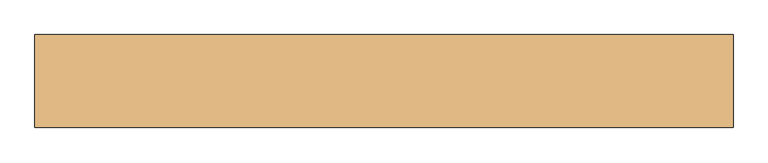
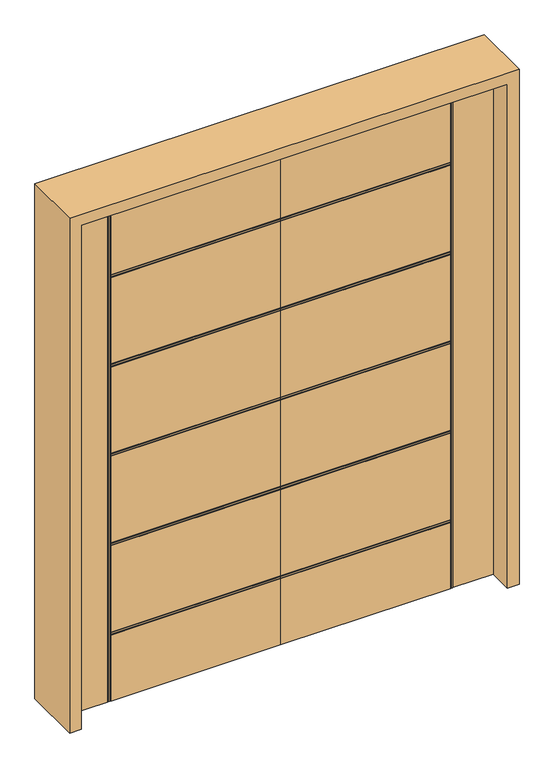
"""IFC4 building model written with IfcOpenShell, lengths in millimetres: door geometry."""

from ifc_helpers import new_model, si_unit, frame, origin, place, context, project, spatial, polyline, outline, extrude, faceted_brep, source, transform, mapped, element, save


def door_35f561f8(model_context):
    return source(origin(), model_context, "Body", "SolidModel", [
        faceted_brep([(0.0, -22.225, 0.0), (-647.7, -22.225, 0.0), (-647.7, -18.923, 0.0), (-651.002, -18.923, 0.0), (-651.002, -22.225, 0.0), (-657.098, -22.225, 0.0), (-657.098, -18.923, 0.0), (-660.4, -18.923, 0.0), (-660.4, -22.225, 0.0), (-812.8, -22.225, 0.0), (-812.8, 22.225, 0.0), (-660.4, 22.225, 0.0), (-660.4, 18.923, 0.0), (-657.098, 18.923, 0.0), (-657.098, 22.225, 0.0), (-651.002, 22.225, 0.0), (-651.002, 18.923, 0.0), (-647.7, 18.923, 0.0), (-647.7, 22.225, 0.0), (0.0, 22.225, 0.0), (0.0, -22.225, 2032.0), (0.0, -22.225, 1719.838), (0.0, -18.923, 1719.838), (0.0, -18.923, 1716.536), (0.0, -22.225, 1716.536), (0.0, -22.225, 1710.44), (0.0, -18.923, 1710.44), (0.0, -18.923, 1707.138), (0.0, -22.225, 1707.138), (0.0, -22.225, 1359.412), (0.0, -18.923, 1359.412), (0.0, -18.923, 1356.11), (0.0, -22.225, 1356.11), (0.0, -22.225, 1350.014), (0.0, -18.923, 1350.014), (0.0, -18.923, 1346.712), (0.0, -22.225, 1346.712), (0.0, -22.225, 998.986), (0.0, -18.923, 998.986), (0.0, -18.923, 995.684), (0.0, -22.225, 995.684), (0.0, -22.225, 989.588), (0.0, -18.923, 989.588), (0.0, -18.923, 986.286), (0.0, -22.225, 986.286), (0.0, -22.225, 638.56), (0.0, -18.923, 638.56), (0.0, -18.923, 635.258), (0.0, -22.225, 635.258), (0.0, -22.225, 629.162), (0.0, -18.923, 629.162), (0.0, -18.923, 625.86), (0.0, -22.225, 625.86), (0.0, -22.225, 278.134), (0.0, -18.923, 278.134), (0.0, -18.923, 274.832), (0.0, -22.225, 274.832), (0.0, -22.225, 268.736), (0.0, -18.923, 268.736), (0.0, -18.923, 265.434), (0.0, -22.225, 265.434), (0.0, 22.225, 265.434), (0.0, 18.923, 265.434), (0.0, 18.923, 268.736), (0.0, 22.225, 268.736), (0.0, 22.225, 274.832), (0.0, 18.923, 274.832), (0.0, 18.923, 278.134), (0.0, 22.225, 278.134), (0.0, 22.225, 625.86), (0.0, 18.923, 625.86), (0.0, 18.923, 629.162), (0.0, 22.225, 629.162), (0.0, 22.225, 635.258), (0.0, 18.923, 635.258), (0.0, 18.923, 638.56), (0.0, 22.225, 638.56), (0.0, 22.225, 986.286), (0.0, 18.923, 986.286), (0.0, 18.923, 989.588), (0.0, 22.225, 989.588), (0.0, 22.225, 995.684), (0.0, 18.923, 995.684), (0.0, 18.923, 998.986), (0.0, 22.225, 998.986), (0.0, 22.225, 1346.712), (0.0, 18.923, 1346.712), (0.0, 18.923, 1350.014), (0.0, 22.225, 1350.014), (0.0, 22.225, 1356.11), (0.0, 18.923, 1356.11), (0.0, 18.923, 1359.412), (0.0, 22.225, 1359.412), (0.0, 22.225, 1707.138), (0.0, 18.923, 1707.138), (0.0, 18.923, 1710.44), (0.0, 22.225, 1710.44), (0.0, 22.225, 1716.536), (0.0, 18.923, 1716.536), (0.0, 18.923, 1719.838), (0.0, 22.225, 1719.838), (0.0, 22.225, 2032.0), (-647.7, 22.225, 1719.838), (-647.7, 22.225, 2032.0), (-651.002, 22.225, 2032.0), (-657.098, 22.225, 2032.0), (-647.7, 22.225, 265.434), (-647.7, 22.225, 268.736), (-647.7, 22.225, 274.832), (-647.7, 22.225, 278.134), (-647.7, 22.225, 625.86), (-647.7, 22.225, 629.162), (-647.7, 22.225, 635.258), (-647.7, 22.225, 638.56), (-647.7, 22.225, 986.286), (-647.7, 22.225, 989.588), (-647.7, 22.225, 995.684), (-647.7, 22.225, 998.986), (-647.7, 22.225, 1346.712), (-647.7, 22.225, 1710.44), (-647.7, 22.225, 1716.536), (-647.7, 22.225, 1350.014), (-647.7, 22.225, 1356.11), (-647.7, 22.225, 1359.412), (-647.7, 22.225, 1707.138), (-812.8, 22.225, 2032.0), (-660.4, 22.225, 2032.0), (-812.8, -22.225, 2032.0), (-660.4, -22.225, 2032.0), (-647.7, -22.225, 265.434), (-657.098, -22.225, 2032.0), (-651.002, -22.225, 2032.0), (-647.7, -22.225, 274.832), (-647.7, -22.225, 268.736), (-647.7, -22.225, 625.86), (-647.7, -22.225, 278.134), (-647.7, -22.225, 635.258), (-647.7, -22.225, 629.162), (-647.7, -22.225, 986.286), (-647.7, -22.225, 638.56), (-647.7, -22.225, 995.684), (-647.7, -22.225, 989.588), (-647.7, -22.225, 2032.0), (-647.7, -22.225, 1719.838), (-647.7, -22.225, 1716.536), (-647.7, -22.225, 1710.44), (-647.7, -22.225, 1346.712), (-647.7, -22.225, 998.986), (-647.7, -22.225, 1356.11), (-647.7, -22.225, 1350.014), (-647.7, -22.225, 1707.138), (-647.7, -22.225, 1359.412), (-660.4, -18.923, 2032.0), (-657.098, -18.923, 2032.0), (-651.002, -18.923, 2032.0), (-647.7, -18.923, 2032.0), (-647.7, 18.923, 2032.0), (-651.002, 18.923, 2032.0), (-657.098, 18.923, 2032.0), (-660.4, 18.923, 2032.0), (-647.7, 18.923, 265.434), (-647.7, 18.923, 1719.838), (-647.7, 18.923, 1716.536), (-647.7, 18.923, 1710.44), (-647.7, 18.923, 1707.138), (-647.7, 18.923, 1359.412), (-647.7, 18.923, 1356.11), (-647.7, 18.923, 1350.014), (-647.7, 18.923, 1346.712), (-647.7, 18.923, 998.986), (-647.7, 18.923, 995.684), (-647.7, 18.923, 989.588), (-647.7, 18.923, 986.286), (-647.7, 18.923, 638.56), (-647.7, 18.923, 635.258), (-647.7, 18.923, 629.162), (-647.7, 18.923, 625.86), (-647.7, 18.923, 278.134), (-647.7, 18.923, 274.832), (-647.7, 18.923, 268.736), (-647.7, -18.923, 265.434), (-647.7, -18.923, 268.736), (-647.7, -18.923, 274.832), (-647.7, -18.923, 278.134), (-647.7, -18.923, 625.86), (-647.7, -18.923, 629.162), (-647.7, -18.923, 635.258), (-647.7, -18.923, 638.56), (-647.7, -18.923, 986.286), (-647.7, -18.923, 989.588), (-647.7, -18.923, 995.684), (-647.7, -18.923, 998.986), (-647.7, -18.923, 1346.712), (-647.7, -18.923, 1350.014), (-647.7, -18.923, 1356.11), (-647.7, -18.923, 1359.412), (-647.7, -18.923, 1707.138), (-647.7, -18.923, 1710.44), (-647.7, -18.923, 1716.536), (-647.7, -18.923, 1719.838)], [[[0, 1, 2, 3, 4, 5, 6, 7, 8, 9, 10, 11, 12, 13, 14, 15, 16, 17, 18, 19]], [[20, 21, 22, 23, 24, 25, 26, 27, 28, 29, 30, 31, 32, 33, 34, 35, 36, 37, 38, 39, 40, 41, 42, 43, 44, 45, 46, 47, 48, 49, 50, 51, 52, 53, 54, 55, 56, 57, 58, 59, 60, 0, 19, 61, 62, 63, 64, 65, 66, 67, 68, 69, 70, 71, 72, 73, 74, 75, 76, 77, 78, 79, 80, 81, 82, 83, 84, 85, 86, 87, 88, 89, 90, 91, 92, 93, 94, 95, 96, 97, 98, 99, 100, 101]], [[101, 100, 102, 103]], [[104, 15, 14, 105]], [[18, 106, 61, 19]], [[64, 107, 108, 65]], [[68, 109, 110, 69]], [[72, 111, 112, 73]], [[76, 113, 114, 77]], [[80, 115, 116, 81]], [[84, 117, 118, 85]], [[96, 119, 120, 97]], [[88, 121, 122, 89]], [[92, 123, 124, 93]], [[125, 126, 11, 10]], [[125, 10, 9, 127]], [[9, 8, 128, 127]], [[0, 60, 129, 1]], [[130, 5, 4, 131]], [[56, 132, 133, 57]], [[52, 134, 135, 53]], [[48, 136, 137, 49]], [[44, 138, 139, 45]], [[40, 140, 141, 41]], [[142, 143, 21, 20]], [[24, 144, 145, 25]], [[36, 146, 147, 37]], [[32, 148, 149, 33]], [[28, 150, 151, 29]], [[127, 128, 152, 153, 130, 131, 154, 155, 142, 20, 101, 103, 156, 157, 104, 105, 158, 159, 126, 125]], [[160, 106, 18, 17]], [[13, 12, 159, 158]], [[17, 16, 157, 156, 161, 99, 98, 162, 163, 95, 94, 164, 165, 91, 90, 166, 167, 87, 86, 168, 169, 83, 82, 170, 171, 79, 78, 172, 173, 75, 74, 174, 175, 71, 70, 176, 177, 67, 66, 178, 179, 63, 62, 160]], [[16, 15, 104, 157]], [[158, 105, 14, 13]], [[12, 11, 126, 159]], [[62, 61, 106, 160]], [[66, 65, 108, 178]], [[178, 108, 107, 179]], [[179, 107, 64, 63]], [[70, 69, 110, 176]], [[176, 110, 109, 177]], [[177, 109, 68, 67]], [[74, 73, 112, 174]], [[174, 112, 111, 175]], [[175, 111, 72, 71]], [[78, 77, 114, 172]], [[172, 114, 113, 173]], [[173, 113, 76, 75]], [[82, 81, 116, 170]], [[170, 116, 115, 171]], [[171, 115, 80, 79]], [[168, 118, 117, 169]], [[169, 117, 84, 83]], [[164, 124, 123, 165]], [[94, 93, 124, 164]], [[163, 119, 96, 95]], [[162, 120, 119, 163]], [[98, 97, 120, 162]], [[161, 102, 100, 99]], [[156, 103, 102, 161]], [[86, 85, 118, 168]], [[167, 121, 88, 87]], [[166, 122, 121, 167]], [[90, 89, 122, 166]], [[165, 123, 92, 91]], [[152, 128, 8, 7]], [[3, 2, 180, 59, 58, 181, 182, 55, 54, 183, 184, 51, 50, 185, 186, 47, 46, 187, 188, 43, 42, 189, 190, 39, 38, 191, 192, 35, 34, 193, 194, 31, 30, 195, 196, 27, 26, 197, 198, 23, 22, 199, 155, 154]], [[7, 6, 153, 152]], [[6, 5, 130, 153]], [[154, 131, 4, 3]], [[2, 1, 129, 180]], [[180, 129, 60, 59]], [[58, 57, 133, 181]], [[181, 133, 132, 182]], [[182, 132, 56, 55]], [[54, 53, 135, 183]], [[183, 135, 134, 184]], [[184, 134, 52, 51]], [[50, 49, 137, 185]], [[185, 137, 136, 186]], [[186, 136, 48, 47]], [[46, 45, 139, 187]], [[187, 139, 138, 188]], [[188, 138, 44, 43]], [[42, 41, 141, 189]], [[189, 141, 140, 190]], [[190, 140, 40, 39]], [[38, 37, 147, 191]], [[191, 147, 146, 192]], [[195, 151, 150, 196]], [[196, 150, 28, 27]], [[26, 25, 145, 197]], [[197, 145, 144, 198]], [[198, 144, 24, 23]], [[22, 21, 143, 199]], [[199, 143, 142, 155]], [[192, 146, 36, 35]], [[34, 33, 149, 193]], [[193, 149, 148, 194]], [[194, 148, 32, 31]], [[30, 29, 151, 195]]]),
        faceted_brep([(0.0, -22.225, 0.0), (0.0, 22.225, 0.0), (647.7, 22.225, 0.0), (647.7, 18.923, 0.0), (651.002, 18.923, 0.0), (651.002, 22.225, 0.0), (657.098, 22.225, 0.0), (657.098, 18.923, 0.0), (660.4, 18.923, 0.0), (660.4, 22.225, 0.0), (812.8, 22.225, 0.0), (812.8, -22.225, 0.0), (660.4, -22.225, 0.0), (660.4, -18.923, 0.0), (657.098, -18.923, 0.0), (657.098, -22.225, 0.0), (651.002, -22.225, 0.0), (651.002, -18.923, 0.0), (647.7, -18.923, 0.0), (647.7, -22.225, 0.0), (0.0, -22.225, 2032.0), (0.0, 22.225, 2032.0), (0.0, 22.225, 1719.838), (0.0, 18.923, 1719.838), (0.0, 18.923, 1716.536), (0.0, 22.225, 1716.536), (0.0, 22.225, 1710.44), (0.0, 18.923, 1710.44), (0.0, 18.923, 1707.138), (0.0, 22.225, 1707.138), (0.0, 22.225, 1359.412), (0.0, 18.923, 1359.412), (0.0, 18.923, 1356.11), (0.0, 22.225, 1356.11), (0.0, 22.225, 1350.014), (0.0, 18.923, 1350.014), (0.0, 18.923, 1346.712), (0.0, 22.225, 1346.712), (0.0, 22.225, 998.986), (0.0, 18.923, 998.986), (0.0, 18.923, 995.684), (0.0, 22.225, 995.684), (0.0, 22.225, 989.588), (0.0, 18.923, 989.588), (0.0, 18.923, 986.286), (0.0, 22.225, 986.286), (0.0, 22.225, 638.56), (0.0, 18.923, 638.56), (0.0, 18.923, 635.258), (0.0, 22.225, 635.258), (0.0, 22.225, 629.162), (0.0, 18.923, 629.162), (0.0, 18.923, 625.86), (0.0, 22.225, 625.86), (0.0, 22.225, 278.134), (0.0, 18.923, 278.134), (0.0, 18.923, 274.832), (0.0, 22.225, 274.832), (0.0, 22.225, 268.736), (0.0, 18.923, 268.736), (0.0, 18.923, 265.434), (0.0, 22.225, 265.434), (0.0, -22.225, 265.434), (0.0, -18.923, 265.434), (0.0, -18.923, 268.736), (0.0, -22.225, 268.736), (0.0, -22.225, 274.832), (0.0, -18.923, 274.832), (0.0, -18.923, 278.134), (0.0, -22.225, 278.134), (0.0, -22.225, 625.86), (0.0, -18.923, 625.86), (0.0, -18.923, 629.162), (0.0, -22.225, 629.162), (0.0, -22.225, 635.258), (0.0, -18.923, 635.258), (0.0, -18.923, 638.56), (0.0, -22.225, 638.56), (0.0, -22.225, 986.286), (0.0, -18.923, 986.286), (0.0, -18.923, 989.588), (0.0, -22.225, 989.588), (0.0, -22.225, 995.684), (0.0, -18.923, 995.684), (0.0, -18.923, 998.986), (0.0, -22.225, 998.986), (0.0, -22.225, 1346.712), (0.0, -18.923, 1346.712), (0.0, -18.923, 1350.014), (0.0, -22.225, 1350.014), (0.0, -22.225, 1356.11), (0.0, -18.923, 1356.11), (0.0, -18.923, 1359.412), (0.0, -22.225, 1359.412), (0.0, -22.225, 1707.138), (0.0, -18.923, 1707.138), (0.0, -18.923, 1710.44), (0.0, -22.225, 1710.44), (0.0, -22.225, 1716.536), (0.0, -18.923, 1716.536), (0.0, -18.923, 1719.838), (0.0, -22.225, 1719.838), (647.7, 22.225, 265.434), (647.7, 22.225, 1716.536), (647.7, 22.225, 1710.44), (647.7, 22.225, 1707.138), (647.7, 22.225, 1359.412), (647.7, 22.225, 1356.11), (647.7, 22.225, 1350.014), (647.7, 22.225, 1346.712), (647.7, 22.225, 998.986), (647.7, 22.225, 995.684), (647.7, 22.225, 989.588), (647.7, 22.225, 986.286), (647.7, 22.225, 638.56), (647.7, 22.225, 635.258), (647.7, 22.225, 629.162), (647.7, 22.225, 625.86), (647.7, 22.225, 278.134), (647.7, 22.225, 274.832), (647.7, 22.225, 268.736), (812.8, 22.225, 2032.0), (660.4, 22.225, 2032.0), (651.002, 22.225, 2032.0), (657.098, 22.225, 2032.0), (647.7, 22.225, 2032.0), (647.7, 22.225, 1719.838), (812.8, -22.225, 2032.0), (647.7, -22.225, 265.434), (660.4, -22.225, 2032.0), (647.7, -22.225, 268.736), (647.7, -22.225, 274.832), (647.7, -22.225, 278.134), (647.7, -22.225, 625.86), (647.7, -22.225, 629.162), (647.7, -22.225, 635.258), (647.7, -22.225, 638.56), (647.7, -22.225, 986.286), (647.7, -22.225, 989.588), (647.7, -22.225, 995.684), (647.7, -22.225, 998.986), (647.7, -22.225, 1346.712), (647.7, -22.225, 1710.44), (647.7, -22.225, 1716.536), (647.7, -22.225, 1350.014), (647.7, -22.225, 1356.11), (647.7, -22.225, 1359.412), (647.7, -22.225, 1707.138), (647.7, -22.225, 2032.0), (647.7, -22.225, 1719.838), (657.098, -22.225, 2032.0), (651.002, -22.225, 2032.0), (660.4, 18.923, 2032.0), (657.098, 18.923, 2032.0), (651.002, 18.923, 2032.0), (647.7, 18.923, 2032.0), (647.7, -18.923, 2032.0), (651.002, -18.923, 2032.0), (657.098, -18.923, 2032.0), (660.4, -18.923, 2032.0), (647.7, 18.923, 265.434), (647.7, 18.923, 268.736), (647.7, 18.923, 274.832), (647.7, 18.923, 278.134), (647.7, 18.923, 625.86), (647.7, 18.923, 629.162), (647.7, 18.923, 635.258), (647.7, 18.923, 638.56), (647.7, 18.923, 986.286), (647.7, 18.923, 989.588), (647.7, 18.923, 995.684), (647.7, 18.923, 998.986), (647.7, 18.923, 1346.712), (647.7, 18.923, 1350.014), (647.7, 18.923, 1356.11), (647.7, 18.923, 1359.412), (647.7, 18.923, 1707.138), (647.7, 18.923, 1710.44), (647.7, 18.923, 1716.536), (647.7, 18.923, 1719.838), (647.7, -18.923, 1719.838), (647.7, -18.923, 1716.536), (647.7, -18.923, 1710.44), (647.7, -18.923, 1707.138), (647.7, -18.923, 1359.412), (647.7, -18.923, 1356.11), (647.7, -18.923, 1350.014), (647.7, -18.923, 1346.712), (647.7, -18.923, 998.986), (647.7, -18.923, 995.684), (647.7, -18.923, 989.588), (647.7, -18.923, 986.286), (647.7, -18.923, 638.56), (647.7, -18.923, 635.258), (647.7, -18.923, 629.162), (647.7, -18.923, 625.86), (647.7, -18.923, 278.134), (647.7, -18.923, 274.832), (647.7, -18.923, 268.736), (647.7, -18.923, 265.434)], [[[0, 1, 2, 3, 4, 5, 6, 7, 8, 9, 10, 11, 12, 13, 14, 15, 16, 17, 18, 19]], [[20, 21, 22, 23, 24, 25, 26, 27, 28, 29, 30, 31, 32, 33, 34, 35, 36, 37, 38, 39, 40, 41, 42, 43, 44, 45, 46, 47, 48, 49, 50, 51, 52, 53, 54, 55, 56, 57, 58, 59, 60, 61, 1, 0, 62, 63, 64, 65, 66, 67, 68, 69, 70, 71, 72, 73, 74, 75, 76, 77, 78, 79, 80, 81, 82, 83, 84, 85, 86, 87, 88, 89, 90, 91, 92, 93, 94, 95, 96, 97, 98, 99, 100, 101]], [[2, 1, 61, 102]], [[26, 25, 103, 104]], [[30, 29, 105, 106]], [[34, 33, 107, 108]], [[38, 37, 109, 110]], [[42, 41, 111, 112]], [[46, 45, 113, 114]], [[50, 49, 115, 116]], [[54, 53, 117, 118]], [[58, 57, 119, 120]], [[121, 10, 9, 122]], [[123, 124, 6, 5]], [[21, 125, 126, 22]], [[121, 127, 11, 10]], [[0, 19, 128, 62]], [[11, 127, 129, 12]], [[66, 65, 130, 131]], [[70, 69, 132, 133]], [[74, 73, 134, 135]], [[78, 77, 136, 137]], [[82, 81, 138, 139]], [[86, 85, 140, 141]], [[98, 97, 142, 143]], [[90, 89, 144, 145]], [[94, 93, 146, 147]], [[148, 20, 101, 149]], [[150, 151, 16, 15]], [[127, 121, 122, 152, 153, 124, 123, 154, 155, 125, 21, 20, 148, 156, 157, 151, 150, 158, 159, 129]], [[160, 3, 2, 102]], [[3, 160, 60, 59, 161, 162, 56, 55, 163, 164, 52, 51, 165, 166, 48, 47, 167, 168, 44, 43, 169, 170, 40, 39, 171, 172, 36, 35, 173, 174, 32, 31, 175, 176, 28, 27, 177, 178, 24, 23, 179, 155, 154, 4]], [[7, 153, 152, 8]], [[4, 154, 123, 5]], [[153, 7, 6, 124]], [[8, 152, 122, 9]], [[60, 160, 102, 61]], [[56, 162, 119, 57]], [[162, 161, 120, 119]], [[161, 59, 58, 120]], [[52, 164, 117, 53]], [[164, 163, 118, 117]], [[163, 55, 54, 118]], [[48, 166, 115, 49]], [[166, 165, 116, 115]], [[165, 51, 50, 116]], [[44, 168, 113, 45]], [[168, 167, 114, 113]], [[167, 47, 46, 114]], [[40, 170, 111, 41]], [[170, 169, 112, 111]], [[169, 43, 42, 112]], [[172, 171, 110, 109]], [[171, 39, 38, 110]], [[176, 175, 106, 105]], [[28, 176, 105, 29]], [[177, 27, 26, 104]], [[178, 177, 104, 103]], [[24, 178, 103, 25]], [[179, 23, 22, 126]], [[155, 179, 126, 125]], [[36, 172, 109, 37]], [[173, 35, 34, 108]], [[174, 173, 108, 107]], [[32, 174, 107, 33]], [[175, 31, 30, 106]], [[159, 13, 12, 129]], [[13, 159, 158, 14]], [[17, 157, 156, 180, 100, 99, 181, 182, 96, 95, 183, 184, 92, 91, 185, 186, 88, 87, 187, 188, 84, 83, 189, 190, 80, 79, 191, 192, 76, 75, 193, 194, 72, 71, 195, 196, 68, 67, 197, 198, 64, 63, 199, 18]], [[14, 158, 150, 15]], [[157, 17, 16, 151]], [[18, 199, 128, 19]], [[199, 63, 62, 128]], [[64, 198, 130, 65]], [[198, 197, 131, 130]], [[197, 67, 66, 131]], [[68, 196, 132, 69]], [[196, 195, 133, 132]], [[195, 71, 70, 133]], [[72, 194, 134, 73]], [[194, 193, 135, 134]], [[193, 75, 74, 135]], [[76, 192, 136, 77]], [[192, 191, 137, 136]], [[191, 79, 78, 137]], [[80, 190, 138, 81]], [[190, 189, 139, 138]], [[189, 83, 82, 139]], [[84, 188, 140, 85]], [[188, 187, 141, 140]], [[184, 183, 147, 146]], [[183, 95, 94, 147]], [[96, 182, 142, 97]], [[182, 181, 143, 142]], [[181, 99, 98, 143]], [[100, 180, 149, 101]], [[180, 156, 148, 149]], [[187, 87, 86, 141]], [[88, 186, 144, 89]], [[186, 185, 145, 144]], [[185, 91, 90, 145]], [[92, 184, 146, 93]]]),
        extrude(outline(polyline([(0.0, -857.25), (0.0, -812.8), (2032.0, -812.8), (2032.0, 812.8), (0.0, 812.8), (0.0, 857.25), (2076.45, 857.25), (2076.45, -857.25), (0.0, -857.25)])), frame((0.0, -114.3, 0.0), z_axis=(0.0, 1.0, 0.0), x_axis=(0.0, 0.0, 1.0)), (0.0, 0.0, 1.0), 228.6),
    ])


if __name__ == "__main__":
    model = new_model("IFC4")
    model_context = context("Model", 3, world=origin())
    ifc_project = project(units=[si_unit("LENGTHUNIT", "METRE", prefix="MILLI")], contexts=[model_context])
    site = spatial("IfcSite", under=ifc_project)
    building = spatial("IfcBuilding", under=site)
    placement = place(None, origin())
    door_shape = door_35f561f8(model_context)
    element("IfcDoor", 1, at=placement, inside=building, context=model_context, shape_type="MappedRepresentation", body=[
        mapped(door_shape, transform((0.0, 0.0, 0.0), x_axis=(1.0, 0.0, 0.0), y_axis=(0.0, 1.0, 0.0), z_axis=(0.0, 0.0, 1.0))),
    ])
    save(model, "model.ifc")
